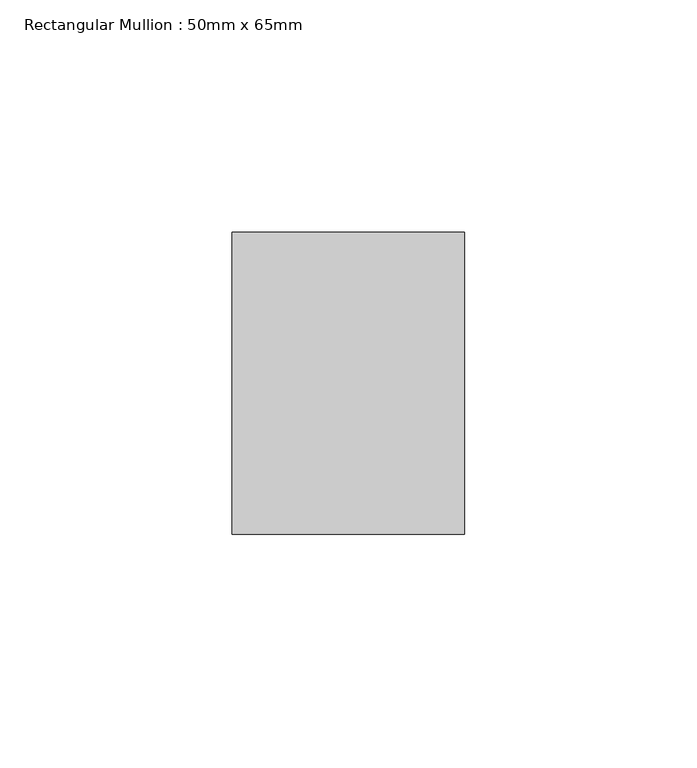
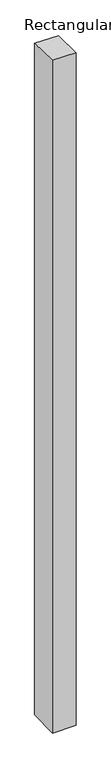
"""IFC4 building model written with IfcOpenShell, lengths in millimetres: member geometry, Rectangular Mullion : 50mm x 65mm."""

from ifc_helpers import new_model, si_unit, origin, place, context, project, spatial, faceted_brep, source, transform, mapped, element, save


def rectangular_mullion_50mm_x_65mm_610355e5(model_context):
    return source(origin(), model_context, "Body", "Brep", [
        faceted_brep([(-25.0, 32.5, -0.7127111), (25.0, 32.5, -0.7127049), (25.0, 32.5, -1499.1019354), (-25.0, 32.5, -1499.1019276), (-25.0, -32.5, 0.7127049), (-25.0, -32.5, -1500.8978549), (25.0, -32.5, 0.7127111), (25.0, -32.5, -1500.8978627)], [[[0, 1, 2, 3]], [[4, 0, 3, 5]], [[6, 4, 5, 7]], [[1, 6, 7, 2]], [[1, 0, 4, 6]], [[2, 7, 5, 3]]]),
    ])


if __name__ == "__main__":
    model = new_model("IFC4")
    model_context = context("Model", 3, world=origin())
    ifc_project = project(units=[si_unit("LENGTHUNIT", "METRE", prefix="MILLI")], contexts=[model_context])
    site = spatial("IfcSite", under=ifc_project)
    building = spatial("IfcBuilding", under=site)
    placement = place(None, origin())
    rectangular_mullion_50mm_x_65mm_shape = rectangular_mullion_50mm_x_65mm_610355e5(model_context)
    element("IfcMember", 1, ObjectType="Rectangular Mullion : 50mm x 65mm", at=placement, inside=building, context=model_context, shape_type="MappedRepresentation", body=[
        mapped(rectangular_mullion_50mm_x_65mm_shape, transform((0.0, 0.0, 0.0), x_axis=(1.0, 0.0, 0.0), y_axis=(0.0, 1.0, 0.0), z_axis=(0.0, 0.0, 1.0))),
    ])
    save(model, "model.ifc")
